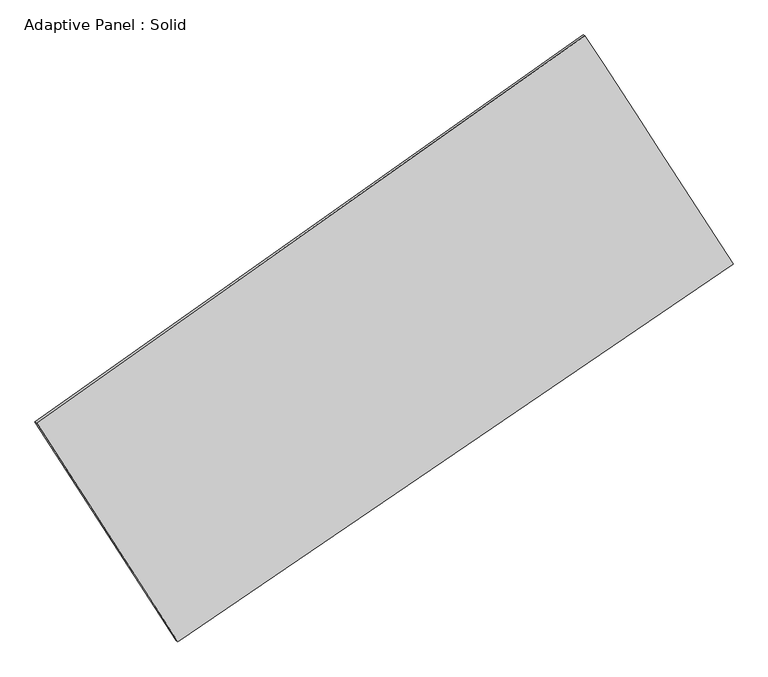
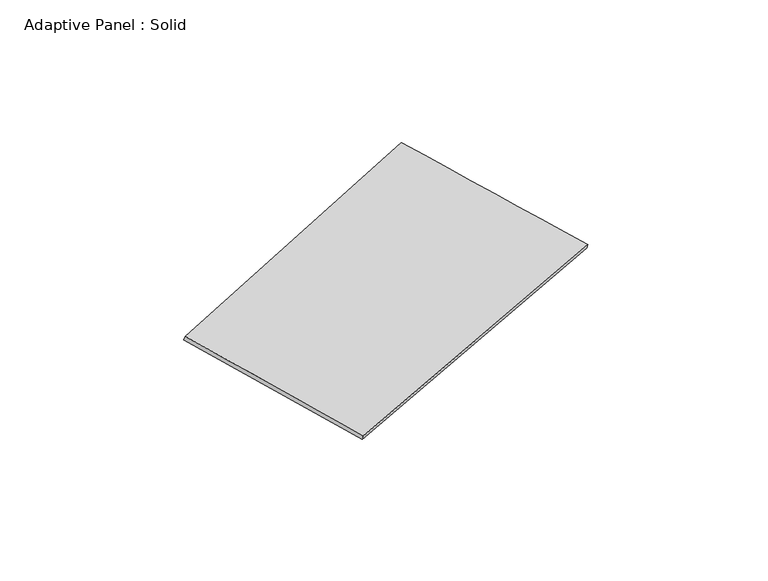
"""IFC4 building model written with IfcOpenShell, lengths in millimetres: plate geometry, Adaptive Panel : Solid."""

from ifc_helpers import new_model, si_unit, frame, origin, place, context, project, spatial, source, transform, mapped, element, save
from ifc_brep_helpers import plane_surface, spline_surface, advanced_brep


def adaptive_panel_solid_d7503e63(model_context):
    return source(origin(), model_context, "Body", "AdvancedBrep", [
        advanced_brep(
        [(1090.5605125, 2536.8714018, 681.7155816), (-3640.3307236, -805.4470853, 1707.6346479), (-3625.6643677, -811.8271787, 1755.007556), (1105.2268683, 2530.4913083, 729.0884896), (-2421.7787761, -2695.0482064, 1064.2491376), (-2407.1124202, -2701.4282999, 1111.6220456), (2368.258409, 563.3753171, 31.5231531), (2382.9247648, 556.9952236, 78.8960611)],
        [
            (0, 1),
            (1, 2),
            (2, 3),
            (3, 0),
            (1, 4),
            (4, 5),
            (5, 2),
            (4, 6),
            (6, 7),
            (7, 5),
            (6, 0),
            (3, 7),
        ],
        [
            plane_surface(frame((-1274.8851055, 865.7121583, 1194.6751148), z_axis=(-0.516065168802115, 0.8131205210019065, 0.26928007701059686), x_axis=(-0.8042182915970284, -0.5681706742914255, 0.17439903765784875))),
            plane_surface(frame((-3031.0547498, -1750.2476458, 1385.9418928), z_axis=(-0.8006392916701727, -0.5743695378154996, 0.1705179130282021), x_axis=(0.5210434735001931, -0.8079789570818733, -0.27510671317825325))),
            plane_surface(frame((-26.7601835, -1065.8364447, 547.8861453), z_axis=(0.5022357182190204, -0.8227083367616504, -0.2662898345185257), x_axis=(0.8139978917089713, 0.553722189602991, -0.1754969202995287))),
            plane_surface(frame((1729.4094608, 1550.1233594, 356.6193673), z_axis=(0.8005689134486047, 0.5744784485207843, -0.17048145648390475), x_axis=(-0.5238073181184559, 0.8090579896094288, 0.26655405255726355))),
            spline_surface(1, 1, [[(-3625.6643677, -811.8271787, 1755.007556), (1105.2268683, 2530.4913083, 729.0884896)], [(-2407.1124202, -2701.4282999, 1111.6220456), (2382.9247648, 556.9952236, 78.8960611)]], [2, 2], [2, 2], [0.0, 1.0], [0.0, 1.0]),
            spline_surface(1, 1, [[(2368.258409, 563.3753171, 31.5231531), (1090.5605125, 2536.8714018, 681.7155816)], [(-2421.7787761, -2695.0482064, 1064.2491376), (-3640.3307236, -805.4470853, 1707.6346479)]], [2, 2], [2, 2], [0.0, 1.0], [0.0, 1.0]),
        ],
        [
            (0, [[1, 2, 3, 4]]),
            (1, [[5, 6, 7, -2]]),
            (2, [[8, 9, 10, -6]]),
            (3, [[11, -4, 12, -9]]),
            (4, [[-3, -7, -10, -12]]),
            (5, [[-11, -8, -5, -1]]),
        ],
    ),
    ])


if __name__ == "__main__":
    model = new_model("IFC4")
    model_context = context("Model", 3, world=origin())
    ifc_project = project(units=[si_unit("LENGTHUNIT", "METRE", prefix="MILLI")], contexts=[model_context])
    site = spatial("IfcSite", under=ifc_project)
    building = spatial("IfcBuilding", under=site)
    placement = place(None, origin())
    adaptive_panel_solid_shape = adaptive_panel_solid_d7503e63(model_context)
    element("IfcPlate", 1, ObjectType="Adaptive Panel : Solid", at=placement, inside=building, context=model_context, shape_type="MappedRepresentation", body=[
        mapped(adaptive_panel_solid_shape, transform((0.0, 0.0, 0.0), x_axis=(1.0, 0.0, 0.0), y_axis=(0.0, 1.0, 0.0), z_axis=(0.0, 0.0, 1.0))),
    ])
    save(model, "model.ifc")
